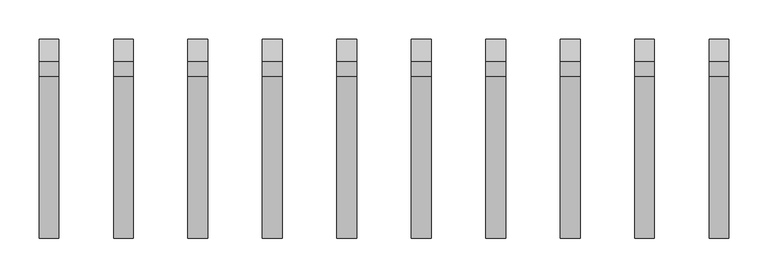
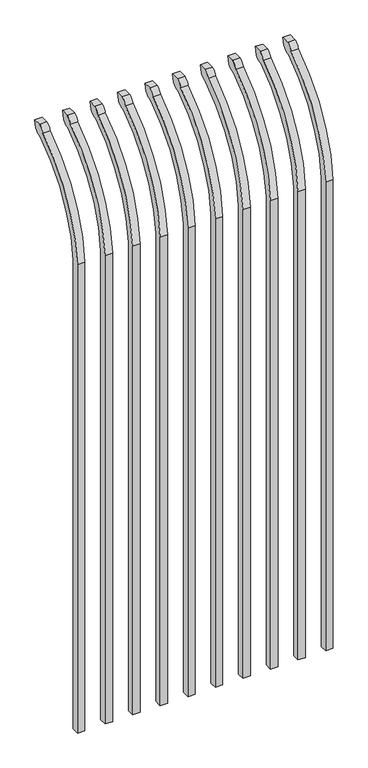
"""IFC4 building model written with IfcOpenShell, lengths in millimetres: railing geometry."""

from ifc_helpers import new_model, si_unit, point, frame, origin, place, context, project, spatial, polyline, circle_curve, ellipse_curve, trimmed, source, transform, mapped, element, save
from ifc_brep_helpers import plane_surface, cylinder_surface, revolved_surface, extruded_surface, advanced_brep


def railing_df1201a7(model_context):
    return source(origin(), model_context, "Body", "AdvancedBrep", [
        advanced_brep(
        [(21556.4350064, 13429.619541, 50.8), (21556.4350064, 13429.619541, 1759.1226889), (21556.4350064, 13626.7326851, 2091.3022378), (21556.4350064, 13653.2407099, 2105.9867549), (21556.4350064, 13659.1100864, 2133.6), (21556.4350064, 13630.8799449, 2133.6), (21556.4350064, 13611.4931591, 2112.6682561), (21556.4350064, 13404.219541, 1759.1226889), (21556.4350064, 13404.219541, 50.8), (21531.0350064, 13429.619541, 50.8), (21531.0350064, 13429.619541, 1759.1226889), (21531.0350064, 13404.219541, 1759.1226889), (21531.0350064, 13404.219541, 50.8), (21531.0350064, 13611.4931591, 2112.6682561), (21531.0350064, 13630.8799449, 2133.6), (21531.0350064, 13659.1100864, 2133.6), (21531.0350064, 13653.2407099, 2105.9867549), (21531.0350064, 13626.7326851, 2091.3022378)],
        [
            (0, 1),
            (1, 2, circle_curve(frame((21556.4350064, 13866.9874207, 1724.1640776), z_axis=(-1.0, 0.0, 0.0), x_axis=(0.0, 1.0, 0.0)), 438.7627681)),
            (2, 3, ellipse_curve(frame((21556.4350064, 13634.5579376, 2113.7180619), z_axis=(1.0, 0.0, 0.0), x_axis=(0.0, -0.7771459614569761, -0.6293203910498311)), 26.7460194, 19.05)),
            (3, 4),
            (4, 5),
            (5, 6, ellipse_curve(frame((21556.4350064, 13634.5579376, 2113.7180619), z_axis=(0.9999999999999999, 0.0, 0.0), x_axis=(0.0, -0.7771459614569769, -0.62932039104983)), 26.7460194, 19.05)),
            (6, 7, circle_curve(frame((21556.4350064, 13866.0333244, 1725.9065933), z_axis=(1.0, 0.0, 0.0), x_axis=(0.0, 1.0, 0.0)), 463.0067812)),
            (7, 8),
            (8, 0),
            (0, 9),
            (9, 10),
            (10, 1),
            (7, 11),
            (11, 12),
            (12, 8),
            (12, 9),
            (11, 13, circle_curve(frame((21531.0350064, 13866.0333244, 1725.9065933), z_axis=(-1.0, 0.0, 0.0), x_axis=(0.0, 1.0, 0.0)), 463.0067812)),
            (13, 14, ellipse_curve(frame((21531.0350064, 13634.5579376, 2113.7180619), z_axis=(-0.9999999999999999, 0.0, 0.0), x_axis=(0.0, -0.7771459614569769, -0.62932039104983)), 26.7460194, 19.05)),
            (14, 15),
            (15, 16),
            (16, 17, ellipse_curve(frame((21531.0350064, 13634.5579376, 2113.7180619), z_axis=(-1.0, 0.0, 0.0), x_axis=(0.0, -0.7771459614569761, -0.6293203910498311)), 26.7460194, 19.05)),
            (17, 10, circle_curve(frame((21531.0350064, 13866.9874207, 1724.1640776), z_axis=(1.0, 0.0, 0.0), x_axis=(0.0, 1.0, 0.0)), 438.7627681)),
            (17, 2),
            (16, 3),
            (15, 4),
            (14, 5),
            (13, 6),
        ],
        [
            plane_surface(frame((21556.4350064, 13429.619541, 50.8), z_axis=(1.0, 0.0, 0.0), x_axis=(0.0, 0.0, 1.0))),
            plane_surface(frame((21556.4350064, 13429.619541, 50.8), z_axis=(0.0, 1.0, 0.0), x_axis=(-1.0, 0.0, 0.0))),
            plane_surface(frame((21556.4350064, 13404.219541, 1759.1226889), z_axis=(0.0, -1.0, 0.0), x_axis=(-1.0, 0.0, 0.0))),
            plane_surface(frame((21556.4350064, 13404.219541, 50.8), z_axis=(0.0, 0.0, -1.0), x_axis=(-1.0, 0.0, 0.0))),
            plane_surface(frame((21531.0350064, 13429.619541, 50.8), z_axis=(-1.0, 0.0, 0.0), x_axis=(0.0, 0.0, -1.0))),
            revolved_surface(polyline([(21531.0350064, 14305.750188799999, 1724.1640776), (21556.4350064, 14305.750188799999, 1724.1640776)]), (21531.0350064, 13866.9874207, 1724.1640776), (-1.0, 0.0, 0.0)),
            extruded_surface(trimmed(ellipse_curve(frame((21505.6350064, 13634.5579376, 2113.7180619), z_axis=(1.0, 0.0, 0.0), x_axis=(0.0, -0.7771459614569761, -0.6293203910498311)), 26.7460194, 19.05), [point((21505.6350064, 13626.7326851, 2091.3022378))], [point((21505.6350064, 13653.2407099, 2105.9867549))], True, "CARTESIAN"), (25.400000000001455, 0.0, 0.0), 25.400000000001455),
            plane_surface(frame((21556.4350064, 13653.2407099, 2105.9867549), z_axis=(0.0, 0.9781476007338014, -0.20791169081777983), x_axis=(-1.0, 0.0, 0.0))),
            plane_surface(frame((21556.4350064, 13659.1100864, 2133.6), z_axis=(0.0, 0.0, 1.0), x_axis=(-1.0, 0.0, 0.0))),
            extruded_surface(trimmed(ellipse_curve(frame((21505.6350064, 13634.5579376, 2113.7180619), z_axis=(0.9999999999999999, 0.0, 0.0), x_axis=(0.0, -0.7771459614569769, -0.62932039104983)), 26.7460194, 19.05), [point((21505.6350064, 13630.8799449, 2133.6))], [point((21505.6350064, 13611.4931591, 2112.6682561))], True, "CARTESIAN"), (25.400000000001455, 0.0, 0.0), 25.400000000001455),
            cylinder_surface(frame((21531.0350064, 13866.0333244, 1725.9065933), z_axis=(1.0, 0.0, 0.0), x_axis=(0.0, 1.0, 0.0)), 463.0067812),
        ],
        [
            (0, [[1, 2, 3, 4, 5, 6, 7, 8, 9]]),
            (1, [[-1, 10, 11, 12]]),
            (2, [[-8, 13, 14, 15]]),
            (3, [[-9, -15, 16, -10]]),
            (4, [[-16, -14, 17, 18, 19, 20, 21, 22, -11]]),
            (5, [[-2, -12, -22, 23]]),
            (6, [[-3, -23, -21, 24]]),
            (7, [[-4, -24, -20, 25]]),
            (8, [[-5, -25, -19, 26]]),
            (9, [[-6, -26, -18, 27]]),
            (10, [[-7, -27, -17, -13]]),
        ],
    ),
        advanced_brep(
        [(21461.1850064, 13429.619541, 50.8), (21461.1850064, 13429.619541, 1759.1226889), (21461.1850064, 13626.7326851, 2091.3022378), (21461.1850064, 13653.2407099, 2105.9867549), (21461.1850064, 13659.1100864, 2133.6), (21461.1850064, 13630.8799449, 2133.6), (21461.1850064, 13611.4931591, 2112.6682561), (21461.1850064, 13404.219541, 1759.1226889), (21461.1850064, 13404.219541, 50.8), (21435.7850064, 13429.619541, 50.8), (21435.7850064, 13429.619541, 1759.1226889), (21435.7850064, 13404.219541, 1759.1226889), (21435.7850064, 13404.219541, 50.8), (21435.7850064, 13611.4931591, 2112.6682561), (21435.7850064, 13630.8799449, 2133.6), (21435.7850064, 13659.1100864, 2133.6), (21435.7850064, 13653.2407099, 2105.9867549), (21435.7850064, 13626.7326851, 2091.3022378)],
        [
            (0, 1),
            (1, 2, circle_curve(frame((21461.1850064, 13866.9874207, 1724.1640776), z_axis=(-1.0, 0.0, 0.0), x_axis=(0.0, 1.0, 0.0)), 438.7627681)),
            (2, 3, ellipse_curve(frame((21461.1850064, 13634.5579376, 2113.7180619), z_axis=(1.0, 0.0, 0.0), x_axis=(0.0, -0.7771459614569761, -0.6293203910498311)), 26.7460194, 19.05)),
            (3, 4),
            (4, 5),
            (5, 6, ellipse_curve(frame((21461.1850064, 13634.5579376, 2113.7180619), z_axis=(0.9999999999999999, 0.0, 0.0), x_axis=(0.0, -0.7771459614569769, -0.62932039104983)), 26.7460194, 19.05)),
            (6, 7, circle_curve(frame((21461.1850064, 13866.0333244, 1725.9065933), z_axis=(1.0, 0.0, 0.0), x_axis=(0.0, 1.0, 0.0)), 463.0067812)),
            (7, 8),
            (8, 0),
            (0, 9),
            (9, 10),
            (10, 1),
            (7, 11),
            (11, 12),
            (12, 8),
            (12, 9),
            (11, 13, circle_curve(frame((21435.7850064, 13866.0333244, 1725.9065933), z_axis=(-1.0, 0.0, 0.0), x_axis=(0.0, 1.0, 0.0)), 463.0067812)),
            (13, 14, ellipse_curve(frame((21435.7850064, 13634.5579376, 2113.7180619), z_axis=(-0.9999999999999999, 0.0, 0.0), x_axis=(0.0, -0.7771459614569769, -0.62932039104983)), 26.7460194, 19.05)),
            (14, 15),
            (15, 16),
            (16, 17, ellipse_curve(frame((21435.7850064, 13634.5579376, 2113.7180619), z_axis=(-1.0, 0.0, 0.0), x_axis=(0.0, -0.7771459614569761, -0.6293203910498311)), 26.7460194, 19.05)),
            (17, 10, circle_curve(frame((21435.7850064, 13866.9874207, 1724.1640776), z_axis=(1.0, 0.0, 0.0), x_axis=(0.0, 1.0, 0.0)), 438.7627681)),
            (17, 2),
            (16, 3),
            (15, 4),
            (14, 5),
            (13, 6),
        ],
        [
            plane_surface(frame((21461.1850064, 13429.619541, 50.8), z_axis=(1.0, 0.0, 0.0), x_axis=(0.0, 0.0, 1.0))),
            plane_surface(frame((21461.1850064, 13429.619541, 50.8), z_axis=(0.0, 1.0, 0.0), x_axis=(-1.0, 0.0, 0.0))),
            plane_surface(frame((21461.1850064, 13404.219541, 1759.1226889), z_axis=(0.0, -1.0, 0.0), x_axis=(-1.0, 0.0, 0.0))),
            plane_surface(frame((21461.1850064, 13404.219541, 50.8), z_axis=(0.0, 0.0, -1.0), x_axis=(-1.0, 0.0, 0.0))),
            plane_surface(frame((21435.7850064, 13429.619541, 50.8), z_axis=(-1.0, 0.0, 0.0), x_axis=(0.0, 0.0, -1.0))),
            revolved_surface(polyline([(21435.7850064, 14305.750188799999, 1724.1640776), (21461.1850064, 14305.750188799999, 1724.1640776)]), (21435.7850064, 13866.9874207, 1724.1640776), (-1.0, 0.0, 0.0)),
            extruded_surface(trimmed(ellipse_curve(frame((21410.3850064, 13634.5579376, 2113.7180619), z_axis=(1.0, 0.0, 0.0), x_axis=(0.0, -0.7771459614569761, -0.6293203910498311)), 26.7460194, 19.05), [point((21410.3850064, 13626.7326851, 2091.3022378))], [point((21410.3850064, 13653.2407099, 2105.9867549))], True, "CARTESIAN"), (25.400000000001455, 0.0, 0.0), 25.400000000001455),
            plane_surface(frame((21461.1850064, 13653.2407099, 2105.9867549), z_axis=(0.0, 0.9781476007338014, -0.20791169081777983), x_axis=(-1.0, 0.0, 0.0))),
            plane_surface(frame((21461.1850064, 13659.1100864, 2133.6), z_axis=(0.0, 0.0, 1.0), x_axis=(-1.0, 0.0, 0.0))),
            extruded_surface(trimmed(ellipse_curve(frame((21410.3850064, 13634.5579376, 2113.7180619), z_axis=(0.9999999999999999, 0.0, 0.0), x_axis=(0.0, -0.7771459614569769, -0.62932039104983)), 26.7460194, 19.05), [point((21410.3850064, 13630.8799449, 2133.6))], [point((21410.3850064, 13611.4931591, 2112.6682561))], True, "CARTESIAN"), (25.400000000001455, 0.0, 0.0), 25.400000000001455),
            cylinder_surface(frame((21435.7850064, 13866.0333244, 1725.9065933), z_axis=(1.0, 0.0, 0.0), x_axis=(0.0, 1.0, 0.0)), 463.0067812),
        ],
        [
            (0, [[1, 2, 3, 4, 5, 6, 7, 8, 9]]),
            (1, [[-1, 10, 11, 12]]),
            (2, [[-8, 13, 14, 15]]),
            (3, [[-9, -15, 16, -10]]),
            (4, [[-16, -14, 17, 18, 19, 20, 21, 22, -11]]),
            (5, [[-2, -12, -22, 23]]),
            (6, [[-3, -23, -21, 24]]),
            (7, [[-4, -24, -20, 25]]),
            (8, [[-5, -25, -19, 26]]),
            (9, [[-6, -26, -18, 27]]),
            (10, [[-7, -27, -17, -13]]),
        ],
    ),
        advanced_brep(
        [(21365.9350064, 13429.619541, 50.8), (21365.9350064, 13429.619541, 1759.1226889), (21365.9350064, 13626.7326851, 2091.3022378), (21365.9350064, 13653.2407099, 2105.9867549), (21365.9350064, 13659.1100864, 2133.6), (21365.9350064, 13630.8799449, 2133.6), (21365.9350064, 13611.4931591, 2112.6682561), (21365.9350064, 13404.219541, 1759.1226889), (21365.9350064, 13404.219541, 50.8), (21340.5350064, 13429.619541, 50.8), (21340.5350064, 13429.619541, 1759.1226889), (21340.5350064, 13404.219541, 1759.1226889), (21340.5350064, 13404.219541, 50.8), (21340.5350064, 13611.4931591, 2112.6682561), (21340.5350064, 13630.8799449, 2133.6), (21340.5350064, 13659.1100864, 2133.6), (21340.5350064, 13653.2407099, 2105.9867549), (21340.5350064, 13626.7326851, 2091.3022378)],
        [
            (0, 1),
            (1, 2, circle_curve(frame((21365.9350064, 13866.9874207, 1724.1640776), z_axis=(-1.0, 0.0, 0.0), x_axis=(0.0, 1.0, 0.0)), 438.7627681)),
            (2, 3, ellipse_curve(frame((21365.9350064, 13634.5579376, 2113.7180619), z_axis=(1.0, 0.0, 0.0), x_axis=(0.0, -0.7771459614569761, -0.6293203910498311)), 26.7460194, 19.05)),
            (3, 4),
            (4, 5),
            (5, 6, ellipse_curve(frame((21365.9350064, 13634.5579376, 2113.7180619), z_axis=(0.9999999999999999, 0.0, 0.0), x_axis=(0.0, -0.7771459614569769, -0.62932039104983)), 26.7460194, 19.05)),
            (6, 7, circle_curve(frame((21365.9350064, 13866.0333244, 1725.9065933), z_axis=(1.0, 0.0, 0.0), x_axis=(0.0, 1.0, 0.0)), 463.0067812)),
            (7, 8),
            (8, 0),
            (0, 9),
            (9, 10),
            (10, 1),
            (7, 11),
            (11, 12),
            (12, 8),
            (12, 9),
            (11, 13, circle_curve(frame((21340.5350064, 13866.0333244, 1725.9065933), z_axis=(-1.0, 0.0, 0.0), x_axis=(0.0, 1.0, 0.0)), 463.0067812)),
            (13, 14, ellipse_curve(frame((21340.5350064, 13634.5579376, 2113.7180619), z_axis=(-0.9999999999999999, 0.0, 0.0), x_axis=(0.0, -0.7771459614569769, -0.62932039104983)), 26.7460194, 19.05)),
            (14, 15),
            (15, 16),
            (16, 17, ellipse_curve(frame((21340.5350064, 13634.5579376, 2113.7180619), z_axis=(-1.0, 0.0, 0.0), x_axis=(0.0, -0.7771459614569761, -0.6293203910498311)), 26.7460194, 19.05)),
            (17, 10, circle_curve(frame((21340.5350064, 13866.9874207, 1724.1640776), z_axis=(1.0, 0.0, 0.0), x_axis=(0.0, 1.0, 0.0)), 438.7627681)),
            (17, 2),
            (16, 3),
            (15, 4),
            (14, 5),
            (13, 6),
        ],
        [
            plane_surface(frame((21365.9350064, 13429.619541, 50.8), z_axis=(1.0, 0.0, 0.0), x_axis=(0.0, 0.0, 1.0))),
            plane_surface(frame((21365.9350064, 13429.619541, 50.8), z_axis=(0.0, 1.0, 0.0), x_axis=(-1.0, 0.0, 0.0))),
            plane_surface(frame((21365.9350064, 13404.219541, 1759.1226889), z_axis=(0.0, -1.0, 0.0), x_axis=(-1.0, 0.0, 0.0))),
            plane_surface(frame((21365.9350064, 13404.219541, 50.8), z_axis=(0.0, 0.0, -1.0), x_axis=(-1.0, 0.0, 0.0))),
            plane_surface(frame((21340.5350064, 13429.619541, 50.8), z_axis=(-1.0, 0.0, 0.0), x_axis=(0.0, 0.0, -1.0))),
            revolved_surface(polyline([(21340.5350064, 14305.750188799999, 1724.1640776), (21365.9350064, 14305.750188799999, 1724.1640776)]), (21340.5350064, 13866.9874207, 1724.1640776), (-1.0, 0.0, 0.0)),
            extruded_surface(trimmed(ellipse_curve(frame((21315.1350064, 13634.5579376, 2113.7180619), z_axis=(1.0, 0.0, 0.0), x_axis=(0.0, -0.7771459614569761, -0.6293203910498311)), 26.7460194, 19.05), [point((21315.1350064, 13626.7326851, 2091.3022378))], [point((21315.1350064, 13653.2407099, 2105.9867549))], True, "CARTESIAN"), (25.400000000001455, 0.0, 0.0), 25.400000000001455),
            plane_surface(frame((21365.9350064, 13653.2407099, 2105.9867549), z_axis=(0.0, 0.9781476007338014, -0.20791169081777983), x_axis=(-1.0, 0.0, 0.0))),
            plane_surface(frame((21365.9350064, 13659.1100864, 2133.6), z_axis=(0.0, 0.0, 1.0), x_axis=(-1.0, 0.0, 0.0))),
            extruded_surface(trimmed(ellipse_curve(frame((21315.1350064, 13634.5579376, 2113.7180619), z_axis=(0.9999999999999999, 0.0, 0.0), x_axis=(0.0, -0.7771459614569769, -0.62932039104983)), 26.7460194, 19.05), [point((21315.1350064, 13630.8799449, 2133.6))], [point((21315.1350064, 13611.4931591, 2112.6682561))], True, "CARTESIAN"), (25.400000000001455, 0.0, 0.0), 25.400000000001455),
            cylinder_surface(frame((21340.5350064, 13866.0333244, 1725.9065933), z_axis=(1.0, 0.0, 0.0), x_axis=(0.0, 1.0, 0.0)), 463.0067812),
        ],
        [
            (0, [[1, 2, 3, 4, 5, 6, 7, 8, 9]]),
            (1, [[-1, 10, 11, 12]]),
            (2, [[-8, 13, 14, 15]]),
            (3, [[-9, -15, 16, -10]]),
            (4, [[-16, -14, 17, 18, 19, 20, 21, 22, -11]]),
            (5, [[-2, -12, -22, 23]]),
            (6, [[-3, -23, -21, 24]]),
            (7, [[-4, -24, -20, 25]]),
            (8, [[-5, -25, -19, 26]]),
            (9, [[-6, -26, -18, 27]]),
            (10, [[-7, -27, -17, -13]]),
        ],
    ),
        advanced_brep(
        [(21270.6850064, 13429.619541, 50.8), (21270.6850064, 13429.619541, 1759.1226889), (21270.6850064, 13626.7326851, 2091.3022378), (21270.6850064, 13653.2407099, 2105.9867549), (21270.6850064, 13659.1100864, 2133.6), (21270.6850064, 13630.8799449, 2133.6), (21270.6850064, 13611.4931591, 2112.6682561), (21270.6850064, 13404.219541, 1759.1226889), (21270.6850064, 13404.219541, 50.8), (21245.2850064, 13429.619541, 50.8), (21245.2850064, 13429.619541, 1759.1226889), (21245.2850064, 13404.219541, 1759.1226889), (21245.2850064, 13404.219541, 50.8), (21245.2850064, 13611.4931591, 2112.6682561), (21245.2850064, 13630.8799449, 2133.6), (21245.2850064, 13659.1100864, 2133.6), (21245.2850064, 13653.2407099, 2105.9867549), (21245.2850064, 13626.7326851, 2091.3022378)],
        [
            (0, 1),
            (1, 2, circle_curve(frame((21270.6850064, 13866.9874207, 1724.1640776), z_axis=(-1.0, 0.0, 0.0), x_axis=(0.0, 1.0, 0.0)), 438.7627681)),
            (2, 3, ellipse_curve(frame((21270.6850064, 13634.5579376, 2113.7180619), z_axis=(1.0, 0.0, 0.0), x_axis=(0.0, -0.7771459614569761, -0.6293203910498311)), 26.7460194, 19.05)),
            (3, 4),
            (4, 5),
            (5, 6, ellipse_curve(frame((21270.6850064, 13634.5579376, 2113.7180619), z_axis=(0.9999999999999999, 0.0, 0.0), x_axis=(0.0, -0.7771459614569769, -0.62932039104983)), 26.7460194, 19.05)),
            (6, 7, circle_curve(frame((21270.6850064, 13866.0333244, 1725.9065933), z_axis=(1.0, 0.0, 0.0), x_axis=(0.0, 1.0, 0.0)), 463.0067812)),
            (7, 8),
            (8, 0),
            (0, 9),
            (9, 10),
            (10, 1),
            (7, 11),
            (11, 12),
            (12, 8),
            (12, 9),
            (11, 13, circle_curve(frame((21245.2850064, 13866.0333244, 1725.9065933), z_axis=(-1.0, 0.0, 0.0), x_axis=(0.0, 1.0, 0.0)), 463.0067812)),
            (13, 14, ellipse_curve(frame((21245.2850064, 13634.5579376, 2113.7180619), z_axis=(-0.9999999999999999, 0.0, 0.0), x_axis=(0.0, -0.7771459614569769, -0.62932039104983)), 26.7460194, 19.05)),
            (14, 15),
            (15, 16),
            (16, 17, ellipse_curve(frame((21245.2850064, 13634.5579376, 2113.7180619), z_axis=(-1.0, 0.0, 0.0), x_axis=(0.0, -0.7771459614569761, -0.6293203910498311)), 26.7460194, 19.05)),
            (17, 10, circle_curve(frame((21245.2850064, 13866.9874207, 1724.1640776), z_axis=(1.0, 0.0, 0.0), x_axis=(0.0, 1.0, 0.0)), 438.7627681)),
            (17, 2),
            (16, 3),
            (15, 4),
            (14, 5),
            (13, 6),
        ],
        [
            plane_surface(frame((21270.6850064, 13429.619541, 50.8), z_axis=(1.0, 0.0, 0.0), x_axis=(0.0, 0.0, 1.0))),
            plane_surface(frame((21270.6850064, 13429.619541, 50.8), z_axis=(0.0, 1.0, 0.0), x_axis=(-1.0, 0.0, 0.0))),
            plane_surface(frame((21270.6850064, 13404.219541, 1759.1226889), z_axis=(0.0, -1.0, 0.0), x_axis=(-1.0, 0.0, 0.0))),
            plane_surface(frame((21270.6850064, 13404.219541, 50.8), z_axis=(0.0, 0.0, -1.0), x_axis=(-1.0, 0.0, 0.0))),
            plane_surface(frame((21245.2850064, 13429.619541, 50.8), z_axis=(-1.0, 0.0, 0.0), x_axis=(0.0, 0.0, -1.0))),
            revolved_surface(polyline([(21245.2850064, 14305.750188799999, 1724.1640776), (21270.6850064, 14305.750188799999, 1724.1640776)]), (21245.2850064, 13866.9874207, 1724.1640776), (-1.0, 0.0, 0.0)),
            extruded_surface(trimmed(ellipse_curve(frame((21219.8850064, 13634.5579376, 2113.7180619), z_axis=(1.0, 0.0, 0.0), x_axis=(0.0, -0.7771459614569761, -0.6293203910498311)), 26.7460194, 19.05), [point((21219.8850064, 13626.7326851, 2091.3022378))], [point((21219.8850064, 13653.2407099, 2105.9867549))], True, "CARTESIAN"), (25.400000000001455, 0.0, 0.0), 25.400000000001455),
            plane_surface(frame((21270.6850064, 13653.2407099, 2105.9867549), z_axis=(0.0, 0.9781476007338014, -0.20791169081777983), x_axis=(-1.0, 0.0, 0.0))),
            plane_surface(frame((21270.6850064, 13659.1100864, 2133.6), z_axis=(0.0, 0.0, 1.0), x_axis=(-1.0, 0.0, 0.0))),
            extruded_surface(trimmed(ellipse_curve(frame((21219.8850064, 13634.5579376, 2113.7180619), z_axis=(0.9999999999999999, 0.0, 0.0), x_axis=(0.0, -0.7771459614569769, -0.62932039104983)), 26.7460194, 19.05), [point((21219.8850064, 13630.8799449, 2133.6))], [point((21219.8850064, 13611.4931591, 2112.6682561))], True, "CARTESIAN"), (25.400000000001455, 0.0, 0.0), 25.400000000001455),
            cylinder_surface(frame((21245.2850064, 13866.0333244, 1725.9065933), z_axis=(1.0, 0.0, 0.0), x_axis=(0.0, 1.0, 0.0)), 463.0067812),
        ],
        [
            (0, [[1, 2, 3, 4, 5, 6, 7, 8, 9]]),
            (1, [[-1, 10, 11, 12]]),
            (2, [[-8, 13, 14, 15]]),
            (3, [[-9, -15, 16, -10]]),
            (4, [[-16, -14, 17, 18, 19, 20, 21, 22, -11]]),
            (5, [[-2, -12, -22, 23]]),
            (6, [[-3, -23, -21, 24]]),
            (7, [[-4, -24, -20, 25]]),
            (8, [[-5, -25, -19, 26]]),
            (9, [[-6, -26, -18, 27]]),
            (10, [[-7, -27, -17, -13]]),
        ],
    ),
        advanced_brep(
        [(21175.4350064, 13429.619541, 50.8), (21175.4350064, 13429.619541, 1759.1226889), (21175.4350064, 13626.7326851, 2091.3022378), (21175.4350064, 13653.2407099, 2105.9867549), (21175.4350064, 13659.1100864, 2133.6), (21175.4350064, 13630.8799449, 2133.6), (21175.4350064, 13611.4931591, 2112.6682561), (21175.4350064, 13404.219541, 1759.1226889), (21175.4350064, 13404.219541, 50.8), (21150.0350064, 13429.619541, 50.8), (21150.0350064, 13429.619541, 1759.1226889), (21150.0350064, 13404.219541, 1759.1226889), (21150.0350064, 13404.219541, 50.8), (21150.0350064, 13611.4931591, 2112.6682561), (21150.0350064, 13630.8799449, 2133.6), (21150.0350064, 13659.1100864, 2133.6), (21150.0350064, 13653.2407099, 2105.9867549), (21150.0350064, 13626.7326851, 2091.3022378)],
        [
            (0, 1),
            (1, 2, circle_curve(frame((21175.4350064, 13866.9874207, 1724.1640776), z_axis=(-1.0, 0.0, 0.0), x_axis=(0.0, 1.0, 0.0)), 438.7627681)),
            (2, 3, ellipse_curve(frame((21175.4350064, 13634.5579376, 2113.7180619), z_axis=(1.0, 0.0, 0.0), x_axis=(0.0, -0.7771459614569761, -0.6293203910498311)), 26.7460194, 19.05)),
            (3, 4),
            (4, 5),
            (5, 6, ellipse_curve(frame((21175.4350064, 13634.5579376, 2113.7180619), z_axis=(0.9999999999999999, 0.0, 0.0), x_axis=(0.0, -0.7771459614569769, -0.62932039104983)), 26.7460194, 19.05)),
            (6, 7, circle_curve(frame((21175.4350064, 13866.0333244, 1725.9065933), z_axis=(1.0, 0.0, 0.0), x_axis=(0.0, 1.0, 0.0)), 463.0067812)),
            (7, 8),
            (8, 0),
            (0, 9),
            (9, 10),
            (10, 1),
            (7, 11),
            (11, 12),
            (12, 8),
            (12, 9),
            (11, 13, circle_curve(frame((21150.0350064, 13866.0333244, 1725.9065933), z_axis=(-1.0, 0.0, 0.0), x_axis=(0.0, 1.0, 0.0)), 463.0067812)),
            (13, 14, ellipse_curve(frame((21150.0350064, 13634.5579376, 2113.7180619), z_axis=(-0.9999999999999999, 0.0, 0.0), x_axis=(0.0, -0.7771459614569769, -0.62932039104983)), 26.7460194, 19.05)),
            (14, 15),
            (15, 16),
            (16, 17, ellipse_curve(frame((21150.0350064, 13634.5579376, 2113.7180619), z_axis=(-1.0, 0.0, 0.0), x_axis=(0.0, -0.7771459614569761, -0.6293203910498311)), 26.7460194, 19.05)),
            (17, 10, circle_curve(frame((21150.0350064, 13866.9874207, 1724.1640776), z_axis=(1.0, 0.0, 0.0), x_axis=(0.0, 1.0, 0.0)), 438.7627681)),
            (17, 2),
            (16, 3),
            (15, 4),
            (14, 5),
            (13, 6),
        ],
        [
            plane_surface(frame((21175.4350064, 13429.619541, 50.8), z_axis=(1.0, 0.0, 0.0), x_axis=(0.0, 0.0, 1.0))),
            plane_surface(frame((21175.4350064, 13429.619541, 50.8), z_axis=(0.0, 1.0, 0.0), x_axis=(-1.0, 0.0, 0.0))),
            plane_surface(frame((21175.4350064, 13404.219541, 1759.1226889), z_axis=(0.0, -1.0, 0.0), x_axis=(-1.0, 0.0, 0.0))),
            plane_surface(frame((21175.4350064, 13404.219541, 50.8), z_axis=(0.0, 0.0, -1.0), x_axis=(-1.0, 0.0, 0.0))),
            plane_surface(frame((21150.0350064, 13429.619541, 50.8), z_axis=(-1.0, 0.0, 0.0), x_axis=(0.0, 0.0, -1.0))),
            revolved_surface(polyline([(21150.0350064, 14305.750188799999, 1724.1640776), (21175.4350064, 14305.750188799999, 1724.1640776)]), (21150.0350064, 13866.9874207, 1724.1640776), (-1.0, 0.0, 0.0)),
            extruded_surface(trimmed(ellipse_curve(frame((21124.6350064, 13634.5579376, 2113.7180619), z_axis=(1.0, 0.0, 0.0), x_axis=(0.0, -0.7771459614569761, -0.6293203910498311)), 26.7460194, 19.05), [point((21124.6350064, 13626.7326851, 2091.3022378))], [point((21124.6350064, 13653.2407099, 2105.9867549))], True, "CARTESIAN"), (25.400000000001455, 0.0, 0.0), 25.400000000001455),
            plane_surface(frame((21175.4350064, 13653.2407099, 2105.9867549), z_axis=(0.0, 0.9781476007338014, -0.20791169081777983), x_axis=(-1.0, 0.0, 0.0))),
            plane_surface(frame((21175.4350064, 13659.1100864, 2133.6), z_axis=(0.0, 0.0, 1.0), x_axis=(-1.0, 0.0, 0.0))),
            extruded_surface(trimmed(ellipse_curve(frame((21124.6350064, 13634.5579376, 2113.7180619), z_axis=(0.9999999999999999, 0.0, 0.0), x_axis=(0.0, -0.7771459614569769, -0.62932039104983)), 26.7460194, 19.05), [point((21124.6350064, 13630.8799449, 2133.6))], [point((21124.6350064, 13611.4931591, 2112.6682561))], True, "CARTESIAN"), (25.400000000001455, 0.0, 0.0), 25.400000000001455),
            cylinder_surface(frame((21150.0350064, 13866.0333244, 1725.9065933), z_axis=(1.0, 0.0, 0.0), x_axis=(0.0, 1.0, 0.0)), 463.0067812),
        ],
        [
            (0, [[1, 2, 3, 4, 5, 6, 7, 8, 9]]),
            (1, [[-1, 10, 11, 12]]),
            (2, [[-8, 13, 14, 15]]),
            (3, [[-9, -15, 16, -10]]),
            (4, [[-16, -14, 17, 18, 19, 20, 21, 22, -11]]),
            (5, [[-2, -12, -22, 23]]),
            (6, [[-3, -23, -21, 24]]),
            (7, [[-4, -24, -20, 25]]),
            (8, [[-5, -25, -19, 26]]),
            (9, [[-6, -26, -18, 27]]),
            (10, [[-7, -27, -17, -13]]),
        ],
    ),
        advanced_brep(
        [(21080.1850064, 13429.619541, 50.8), (21080.1850064, 13429.619541, 1759.1226889), (21080.1850064, 13626.7326851, 2091.3022378), (21080.1850064, 13653.2407099, 2105.9867549), (21080.1850064, 13659.1100864, 2133.6), (21080.1850064, 13630.8799449, 2133.6), (21080.1850064, 13611.4931591, 2112.6682561), (21080.1850064, 13404.219541, 1759.1226889), (21080.1850064, 13404.219541, 50.8), (21054.7850064, 13429.619541, 50.8), (21054.7850064, 13429.619541, 1759.1226889), (21054.7850064, 13404.219541, 1759.1226889), (21054.7850064, 13404.219541, 50.8), (21054.7850064, 13611.4931591, 2112.6682561), (21054.7850064, 13630.8799449, 2133.6), (21054.7850064, 13659.1100864, 2133.6), (21054.7850064, 13653.2407099, 2105.9867549), (21054.7850064, 13626.7326851, 2091.3022378)],
        [
            (0, 1),
            (1, 2, circle_curve(frame((21080.1850064, 13866.9874207, 1724.1640776), z_axis=(-1.0, 0.0, 0.0), x_axis=(0.0, 1.0, 0.0)), 438.7627681)),
            (2, 3, ellipse_curve(frame((21080.1850064, 13634.5579376, 2113.7180619), z_axis=(1.0, 0.0, 0.0), x_axis=(0.0, -0.7771459614569761, -0.6293203910498311)), 26.7460194, 19.05)),
            (3, 4),
            (4, 5),
            (5, 6, ellipse_curve(frame((21080.1850064, 13634.5579376, 2113.7180619), z_axis=(0.9999999999999999, 0.0, 0.0), x_axis=(0.0, -0.7771459614569769, -0.62932039104983)), 26.7460194, 19.05)),
            (6, 7, circle_curve(frame((21080.1850064, 13866.0333244, 1725.9065933), z_axis=(1.0, 0.0, 0.0), x_axis=(0.0, 1.0, 0.0)), 463.0067812)),
            (7, 8),
            (8, 0),
            (0, 9),
            (9, 10),
            (10, 1),
            (7, 11),
            (11, 12),
            (12, 8),
            (12, 9),
            (11, 13, circle_curve(frame((21054.7850064, 13866.0333244, 1725.9065933), z_axis=(-1.0, 0.0, 0.0), x_axis=(0.0, 1.0, 0.0)), 463.0067812)),
            (13, 14, ellipse_curve(frame((21054.7850064, 13634.5579376, 2113.7180619), z_axis=(-0.9999999999999999, 0.0, 0.0), x_axis=(0.0, -0.7771459614569769, -0.62932039104983)), 26.7460194, 19.05)),
            (14, 15),
            (15, 16),
            (16, 17, ellipse_curve(frame((21054.7850064, 13634.5579376, 2113.7180619), z_axis=(-1.0, 0.0, 0.0), x_axis=(0.0, -0.7771459614569761, -0.6293203910498311)), 26.7460194, 19.05)),
            (17, 10, circle_curve(frame((21054.7850064, 13866.9874207, 1724.1640776), z_axis=(1.0, 0.0, 0.0), x_axis=(0.0, 1.0, 0.0)), 438.7627681)),
            (17, 2),
            (16, 3),
            (15, 4),
            (14, 5),
            (13, 6),
        ],
        [
            plane_surface(frame((21080.1850064, 13429.619541, 50.8), z_axis=(1.0, 0.0, 0.0), x_axis=(0.0, 0.0, 1.0))),
            plane_surface(frame((21080.1850064, 13429.619541, 50.8), z_axis=(0.0, 1.0, 0.0), x_axis=(-1.0, 0.0, 0.0))),
            plane_surface(frame((21080.1850064, 13404.219541, 1759.1226889), z_axis=(0.0, -1.0, 0.0), x_axis=(-1.0, 0.0, 0.0))),
            plane_surface(frame((21080.1850064, 13404.219541, 50.8), z_axis=(0.0, 0.0, -1.0), x_axis=(-1.0, 0.0, 0.0))),
            plane_surface(frame((21054.7850064, 13429.619541, 50.8), z_axis=(-1.0, 0.0, 0.0), x_axis=(0.0, 0.0, -1.0))),
            revolved_surface(polyline([(21054.7850064, 14305.750188799999, 1724.1640776), (21080.1850064, 14305.750188799999, 1724.1640776)]), (21054.7850064, 13866.9874207, 1724.1640776), (-1.0, 0.0, 0.0)),
            extruded_surface(trimmed(ellipse_curve(frame((21029.3850064, 13634.5579376, 2113.7180619), z_axis=(1.0, 0.0, 0.0), x_axis=(0.0, -0.7771459614569761, -0.6293203910498311)), 26.7460194, 19.05), [point((21029.3850064, 13626.7326851, 2091.3022378))], [point((21029.3850064, 13653.2407099, 2105.9867549))], True, "CARTESIAN"), (25.400000000001455, 0.0, 0.0), 25.400000000001455),
            plane_surface(frame((21080.1850064, 13653.2407099, 2105.9867549), z_axis=(0.0, 0.9781476007338014, -0.20791169081777983), x_axis=(-1.0, 0.0, 0.0))),
            plane_surface(frame((21080.1850064, 13659.1100864, 2133.6), z_axis=(0.0, 0.0, 1.0), x_axis=(-1.0, 0.0, 0.0))),
            extruded_surface(trimmed(ellipse_curve(frame((21029.3850064, 13634.5579376, 2113.7180619), z_axis=(0.9999999999999999, 0.0, 0.0), x_axis=(0.0, -0.7771459614569769, -0.62932039104983)), 26.7460194, 19.05), [point((21029.3850064, 13630.8799449, 2133.6))], [point((21029.3850064, 13611.4931591, 2112.6682561))], True, "CARTESIAN"), (25.400000000001455, 0.0, 0.0), 25.400000000001455),
            cylinder_surface(frame((21054.7850064, 13866.0333244, 1725.9065933), z_axis=(1.0, 0.0, 0.0), x_axis=(0.0, 1.0, 0.0)), 463.0067812),
        ],
        [
            (0, [[1, 2, 3, 4, 5, 6, 7, 8, 9]]),
            (1, [[-1, 10, 11, 12]]),
            (2, [[-8, 13, 14, 15]]),
            (3, [[-9, -15, 16, -10]]),
            (4, [[-16, -14, 17, 18, 19, 20, 21, 22, -11]]),
            (5, [[-2, -12, -22, 23]]),
            (6, [[-3, -23, -21, 24]]),
            (7, [[-4, -24, -20, 25]]),
            (8, [[-5, -25, -19, 26]]),
            (9, [[-6, -26, -18, 27]]),
            (10, [[-7, -27, -17, -13]]),
        ],
    ),
        advanced_brep(
        [(20984.9350064, 13429.619541, 50.8), (20984.9350064, 13429.619541, 1759.1226889), (20984.9350064, 13626.7326851, 2091.3022378), (20984.9350064, 13653.2407099, 2105.9867549), (20984.9350064, 13659.1100864, 2133.6), (20984.9350064, 13630.8799449, 2133.6), (20984.9350064, 13611.4931591, 2112.6682561), (20984.9350064, 13404.219541, 1759.1226889), (20984.9350064, 13404.219541, 50.8), (20959.5350064, 13429.619541, 50.8), (20959.5350064, 13429.619541, 1759.1226889), (20959.5350064, 13404.219541, 1759.1226889), (20959.5350064, 13404.219541, 50.8), (20959.5350064, 13611.4931591, 2112.6682561), (20959.5350064, 13630.8799449, 2133.6), (20959.5350064, 13659.1100864, 2133.6), (20959.5350064, 13653.2407099, 2105.9867549), (20959.5350064, 13626.7326851, 2091.3022378)],
        [
            (0, 1),
            (1, 2, circle_curve(frame((20984.9350064, 13866.9874207, 1724.1640776), z_axis=(-1.0, 0.0, 0.0), x_axis=(0.0, 1.0, 0.0)), 438.7627681)),
            (2, 3, ellipse_curve(frame((20984.9350064, 13634.5579376, 2113.7180619), z_axis=(1.0, 0.0, 0.0), x_axis=(0.0, -0.7771459614569761, -0.6293203910498311)), 26.7460194, 19.05)),
            (3, 4),
            (4, 5),
            (5, 6, ellipse_curve(frame((20984.9350064, 13634.5579376, 2113.7180619), z_axis=(0.9999999999999999, 0.0, 0.0), x_axis=(0.0, -0.7771459614569769, -0.62932039104983)), 26.7460194, 19.05)),
            (6, 7, circle_curve(frame((20984.9350064, 13866.0333244, 1725.9065933), z_axis=(1.0, 0.0, 0.0), x_axis=(0.0, 1.0, 0.0)), 463.0067812)),
            (7, 8),
            (8, 0),
            (0, 9),
            (9, 10),
            (10, 1),
            (7, 11),
            (11, 12),
            (12, 8),
            (12, 9),
            (11, 13, circle_curve(frame((20959.5350064, 13866.0333244, 1725.9065933), z_axis=(-1.0, 0.0, 0.0), x_axis=(0.0, 1.0, 0.0)), 463.0067812)),
            (13, 14, ellipse_curve(frame((20959.5350064, 13634.5579376, 2113.7180619), z_axis=(-0.9999999999999999, 0.0, 0.0), x_axis=(0.0, -0.7771459614569769, -0.62932039104983)), 26.7460194, 19.05)),
            (14, 15),
            (15, 16),
            (16, 17, ellipse_curve(frame((20959.5350064, 13634.5579376, 2113.7180619), z_axis=(-1.0, 0.0, 0.0), x_axis=(0.0, -0.7771459614569761, -0.6293203910498311)), 26.7460194, 19.05)),
            (17, 10, circle_curve(frame((20959.5350064, 13866.9874207, 1724.1640776), z_axis=(1.0, 0.0, 0.0), x_axis=(0.0, 1.0, 0.0)), 438.7627681)),
            (17, 2),
            (16, 3),
            (15, 4),
            (14, 5),
            (13, 6),
        ],
        [
            plane_surface(frame((20984.9350064, 13429.619541, 50.8), z_axis=(1.0, 0.0, 0.0), x_axis=(0.0, 0.0, 1.0))),
            plane_surface(frame((20984.9350064, 13429.619541, 50.8), z_axis=(0.0, 1.0, 0.0), x_axis=(-1.0, 0.0, 0.0))),
            plane_surface(frame((20984.9350064, 13404.219541, 1759.1226889), z_axis=(0.0, -1.0, 0.0), x_axis=(-1.0, 0.0, 0.0))),
            plane_surface(frame((20984.9350064, 13404.219541, 50.8), z_axis=(0.0, 0.0, -1.0), x_axis=(-1.0, 0.0, 0.0))),
            plane_surface(frame((20959.5350064, 13429.619541, 50.8), z_axis=(-1.0, 0.0, 0.0), x_axis=(0.0, 0.0, -1.0))),
            revolved_surface(polyline([(20959.5350064, 14305.750188799999, 1724.1640776), (20984.9350064, 14305.750188799999, 1724.1640776)]), (20959.5350064, 13866.9874207, 1724.1640776), (-1.0, 0.0, 0.0)),
            extruded_surface(trimmed(ellipse_curve(frame((20934.1350064, 13634.5579376, 2113.7180619), z_axis=(1.0, 0.0, 0.0), x_axis=(0.0, -0.7771459614569761, -0.6293203910498311)), 26.7460194, 19.05), [point((20934.1350064, 13626.7326851, 2091.3022378))], [point((20934.1350064, 13653.2407099, 2105.9867549))], True, "CARTESIAN"), (25.400000000001455, 0.0, 0.0), 25.400000000001455),
            plane_surface(frame((20984.9350064, 13653.2407099, 2105.9867549), z_axis=(0.0, 0.9781476007338014, -0.20791169081777983), x_axis=(-1.0, 0.0, 0.0))),
            plane_surface(frame((20984.9350064, 13659.1100864, 2133.6), z_axis=(0.0, 0.0, 1.0), x_axis=(-1.0, 0.0, 0.0))),
            extruded_surface(trimmed(ellipse_curve(frame((20934.1350064, 13634.5579376, 2113.7180619), z_axis=(0.9999999999999999, 0.0, 0.0), x_axis=(0.0, -0.7771459614569769, -0.62932039104983)), 26.7460194, 19.05), [point((20934.1350064, 13630.8799449, 2133.6))], [point((20934.1350064, 13611.4931591, 2112.6682561))], True, "CARTESIAN"), (25.400000000001455, 0.0, 0.0), 25.400000000001455),
            cylinder_surface(frame((20959.5350064, 13866.0333244, 1725.9065933), z_axis=(1.0, 0.0, 0.0), x_axis=(0.0, 1.0, 0.0)), 463.0067812),
        ],
        [
            (0, [[1, 2, 3, 4, 5, 6, 7, 8, 9]]),
            (1, [[-1, 10, 11, 12]]),
            (2, [[-8, 13, 14, 15]]),
            (3, [[-9, -15, 16, -10]]),
            (4, [[-16, -14, 17, 18, 19, 20, 21, 22, -11]]),
            (5, [[-2, -12, -22, 23]]),
            (6, [[-3, -23, -21, 24]]),
            (7, [[-4, -24, -20, 25]]),
            (8, [[-5, -25, -19, 26]]),
            (9, [[-6, -26, -18, 27]]),
            (10, [[-7, -27, -17, -13]]),
        ],
    ),
        advanced_brep(
        [(20889.6850064, 13429.619541, 50.8), (20889.6850064, 13429.619541, 1759.1226889), (20889.6850064, 13626.7326851, 2091.3022378), (20889.6850064, 13653.2407099, 2105.9867549), (20889.6850064, 13659.1100864, 2133.6), (20889.6850064, 13630.8799449, 2133.6), (20889.6850064, 13611.4931591, 2112.6682561), (20889.6850064, 13404.219541, 1759.1226889), (20889.6850064, 13404.219541, 50.8), (20864.2850064, 13429.619541, 50.8), (20864.2850064, 13429.619541, 1759.1226889), (20864.2850064, 13404.219541, 1759.1226889), (20864.2850064, 13404.219541, 50.8), (20864.2850064, 13611.4931591, 2112.6682561), (20864.2850064, 13630.8799449, 2133.6), (20864.2850064, 13659.1100864, 2133.6), (20864.2850064, 13653.2407099, 2105.9867549), (20864.2850064, 13626.7326851, 2091.3022378)],
        [
            (0, 1),
            (1, 2, circle_curve(frame((20889.6850064, 13866.9874207, 1724.1640776), z_axis=(-1.0, 0.0, 0.0), x_axis=(0.0, 1.0, 0.0)), 438.7627681)),
            (2, 3, ellipse_curve(frame((20889.6850064, 13634.5579376, 2113.7180619), z_axis=(1.0, 0.0, 0.0), x_axis=(0.0, -0.7771459614569761, -0.6293203910498311)), 26.7460194, 19.05)),
            (3, 4),
            (4, 5),
            (5, 6, ellipse_curve(frame((20889.6850064, 13634.5579376, 2113.7180619), z_axis=(0.9999999999999999, 0.0, 0.0), x_axis=(0.0, -0.7771459614569769, -0.62932039104983)), 26.7460194, 19.05)),
            (6, 7, circle_curve(frame((20889.6850064, 13866.0333244, 1725.9065933), z_axis=(1.0, 0.0, 0.0), x_axis=(0.0, 1.0, 0.0)), 463.0067812)),
            (7, 8),
            (8, 0),
            (0, 9),
            (9, 10),
            (10, 1),
            (7, 11),
            (11, 12),
            (12, 8),
            (12, 9),
            (11, 13, circle_curve(frame((20864.2850064, 13866.0333244, 1725.9065933), z_axis=(-1.0, 0.0, 0.0), x_axis=(0.0, 1.0, 0.0)), 463.0067812)),
            (13, 14, ellipse_curve(frame((20864.2850064, 13634.5579376, 2113.7180619), z_axis=(-0.9999999999999999, 0.0, 0.0), x_axis=(0.0, -0.7771459614569769, -0.62932039104983)), 26.7460194, 19.05)),
            (14, 15),
            (15, 16),
            (16, 17, ellipse_curve(frame((20864.2850064, 13634.5579376, 2113.7180619), z_axis=(-1.0, 0.0, 0.0), x_axis=(0.0, -0.7771459614569761, -0.6293203910498311)), 26.7460194, 19.05)),
            (17, 10, circle_curve(frame((20864.2850064, 13866.9874207, 1724.1640776), z_axis=(1.0, 0.0, 0.0), x_axis=(0.0, 1.0, 0.0)), 438.7627681)),
            (17, 2),
            (16, 3),
            (15, 4),
            (14, 5),
            (13, 6),
        ],
        [
            plane_surface(frame((20889.6850064, 13429.619541, 50.8), z_axis=(1.0, 0.0, 0.0), x_axis=(0.0, 0.0, 1.0))),
            plane_surface(frame((20889.6850064, 13429.619541, 50.8), z_axis=(0.0, 1.0, 0.0), x_axis=(-1.0, 0.0, 0.0))),
            plane_surface(frame((20889.6850064, 13404.219541, 1759.1226889), z_axis=(0.0, -1.0, 0.0), x_axis=(-1.0, 0.0, 0.0))),
            plane_surface(frame((20889.6850064, 13404.219541, 50.8), z_axis=(0.0, 0.0, -1.0), x_axis=(-1.0, 0.0, 0.0))),
            plane_surface(frame((20864.2850064, 13429.619541, 50.8), z_axis=(-1.0, 0.0, 0.0), x_axis=(0.0, 0.0, -1.0))),
            revolved_surface(polyline([(20864.2850064, 14305.750188799999, 1724.1640776), (20889.6850064, 14305.750188799999, 1724.1640776)]), (20864.2850064, 13866.9874207, 1724.1640776), (-1.0, 0.0, 0.0)),
            extruded_surface(trimmed(ellipse_curve(frame((20838.8850064, 13634.5579376, 2113.7180619), z_axis=(1.0, 0.0, 0.0), x_axis=(0.0, -0.7771459614569761, -0.6293203910498311)), 26.7460194, 19.05), [point((20838.8850064, 13626.7326851, 2091.3022378))], [point((20838.8850064, 13653.2407099, 2105.9867549))], True, "CARTESIAN"), (25.400000000001455, 0.0, 0.0), 25.400000000001455),
            plane_surface(frame((20889.6850064, 13653.2407099, 2105.9867549), z_axis=(0.0, 0.9781476007338014, -0.20791169081777983), x_axis=(-1.0, 0.0, 0.0))),
            plane_surface(frame((20889.6850064, 13659.1100864, 2133.6), z_axis=(0.0, 0.0, 1.0), x_axis=(-1.0, 0.0, 0.0))),
            extruded_surface(trimmed(ellipse_curve(frame((20838.8850064, 13634.5579376, 2113.7180619), z_axis=(0.9999999999999999, 0.0, 0.0), x_axis=(0.0, -0.7771459614569769, -0.62932039104983)), 26.7460194, 19.05), [point((20838.8850064, 13630.8799449, 2133.6))], [point((20838.8850064, 13611.4931591, 2112.6682561))], True, "CARTESIAN"), (25.400000000001455, 0.0, 0.0), 25.400000000001455),
            cylinder_surface(frame((20864.2850064, 13866.0333244, 1725.9065933), z_axis=(1.0, 0.0, 0.0), x_axis=(0.0, 1.0, 0.0)), 463.0067812),
        ],
        [
            (0, [[1, 2, 3, 4, 5, 6, 7, 8, 9]]),
            (1, [[-1, 10, 11, 12]]),
            (2, [[-8, 13, 14, 15]]),
            (3, [[-9, -15, 16, -10]]),
            (4, [[-16, -14, 17, 18, 19, 20, 21, 22, -11]]),
            (5, [[-2, -12, -22, 23]]),
            (6, [[-3, -23, -21, 24]]),
            (7, [[-4, -24, -20, 25]]),
            (8, [[-5, -25, -19, 26]]),
            (9, [[-6, -26, -18, 27]]),
            (10, [[-7, -27, -17, -13]]),
        ],
    ),
        advanced_brep(
        [(20794.4350064, 13429.619541, 50.8), (20794.4350064, 13429.619541, 1759.1226889), (20794.4350064, 13626.7326851, 2091.3022378), (20794.4350064, 13653.2407099, 2105.9867549), (20794.4350064, 13659.1100864, 2133.6), (20794.4350064, 13630.8799449, 2133.6), (20794.4350064, 13611.4931591, 2112.6682561), (20794.4350064, 13404.219541, 1759.1226889), (20794.4350064, 13404.219541, 50.8), (20769.0350064, 13429.619541, 50.8), (20769.0350064, 13429.619541, 1759.1226889), (20769.0350064, 13404.219541, 1759.1226889), (20769.0350064, 13404.219541, 50.8), (20769.0350064, 13611.4931591, 2112.6682561), (20769.0350064, 13630.8799449, 2133.6), (20769.0350064, 13659.1100864, 2133.6), (20769.0350064, 13653.2407099, 2105.9867549), (20769.0350064, 13626.7326851, 2091.3022378)],
        [
            (0, 1),
            (1, 2, circle_curve(frame((20794.4350064, 13866.9874207, 1724.1640776), z_axis=(-1.0, 0.0, 0.0), x_axis=(0.0, 1.0, 0.0)), 438.7627681)),
            (2, 3, ellipse_curve(frame((20794.4350064, 13634.5579376, 2113.7180619), z_axis=(1.0, 0.0, 0.0), x_axis=(0.0, -0.7771459614569761, -0.6293203910498311)), 26.7460194, 19.05)),
            (3, 4),
            (4, 5),
            (5, 6, ellipse_curve(frame((20794.4350064, 13634.5579376, 2113.7180619), z_axis=(0.9999999999999999, 0.0, 0.0), x_axis=(0.0, -0.7771459614569769, -0.62932039104983)), 26.7460194, 19.05)),
            (6, 7, circle_curve(frame((20794.4350064, 13866.0333244, 1725.9065933), z_axis=(1.0, 0.0, 0.0), x_axis=(0.0, 1.0, 0.0)), 463.0067812)),
            (7, 8),
            (8, 0),
            (0, 9),
            (9, 10),
            (10, 1),
            (7, 11),
            (11, 12),
            (12, 8),
            (12, 9),
            (11, 13, circle_curve(frame((20769.0350064, 13866.0333244, 1725.9065933), z_axis=(-1.0, 0.0, 0.0), x_axis=(0.0, 1.0, 0.0)), 463.0067812)),
            (13, 14, ellipse_curve(frame((20769.0350064, 13634.5579376, 2113.7180619), z_axis=(-0.9999999999999999, 0.0, 0.0), x_axis=(0.0, -0.7771459614569769, -0.62932039104983)), 26.7460194, 19.05)),
            (14, 15),
            (15, 16),
            (16, 17, ellipse_curve(frame((20769.0350064, 13634.5579376, 2113.7180619), z_axis=(-1.0, 0.0, 0.0), x_axis=(0.0, -0.7771459614569761, -0.6293203910498311)), 26.7460194, 19.05)),
            (17, 10, circle_curve(frame((20769.0350064, 13866.9874207, 1724.1640776), z_axis=(1.0, 0.0, 0.0), x_axis=(0.0, 1.0, 0.0)), 438.7627681)),
            (17, 2),
            (16, 3),
            (15, 4),
            (14, 5),
            (13, 6),
        ],
        [
            plane_surface(frame((20794.4350064, 13429.619541, 50.8), z_axis=(1.0, 0.0, 0.0), x_axis=(0.0, 0.0, 1.0))),
            plane_surface(frame((20794.4350064, 13429.619541, 50.8), z_axis=(0.0, 1.0, 0.0), x_axis=(-1.0, 0.0, 0.0))),
            plane_surface(frame((20794.4350064, 13404.219541, 1759.1226889), z_axis=(0.0, -1.0, 0.0), x_axis=(-1.0, 0.0, 0.0))),
            plane_surface(frame((20794.4350064, 13404.219541, 50.8), z_axis=(0.0, 0.0, -1.0), x_axis=(-1.0, 0.0, 0.0))),
            plane_surface(frame((20769.0350064, 13429.619541, 50.8), z_axis=(-1.0, 0.0, 0.0), x_axis=(0.0, 0.0, -1.0))),
            revolved_surface(polyline([(20769.0350064, 14305.750188799999, 1724.1640776), (20794.4350064, 14305.750188799999, 1724.1640776)]), (20769.0350064, 13866.9874207, 1724.1640776), (-1.0, 0.0, 0.0)),
            extruded_surface(trimmed(ellipse_curve(frame((20743.6350064, 13634.5579376, 2113.7180619), z_axis=(1.0, 0.0, 0.0), x_axis=(0.0, -0.7771459614569761, -0.6293203910498311)), 26.7460194, 19.05), [point((20743.6350064, 13626.7326851, 2091.3022378))], [point((20743.6350064, 13653.2407099, 2105.9867549))], True, "CARTESIAN"), (25.400000000001455, 0.0, 0.0), 25.400000000001455),
            plane_surface(frame((20794.4350064, 13653.2407099, 2105.9867549), z_axis=(0.0, 0.9781476007338014, -0.20791169081777983), x_axis=(-1.0, 0.0, 0.0))),
            plane_surface(frame((20794.4350064, 13659.1100864, 2133.6), z_axis=(0.0, 0.0, 1.0), x_axis=(-1.0, 0.0, 0.0))),
            extruded_surface(trimmed(ellipse_curve(frame((20743.6350064, 13634.5579376, 2113.7180619), z_axis=(0.9999999999999999, 0.0, 0.0), x_axis=(0.0, -0.7771459614569769, -0.62932039104983)), 26.7460194, 19.05), [point((20743.6350064, 13630.8799449, 2133.6))], [point((20743.6350064, 13611.4931591, 2112.6682561))], True, "CARTESIAN"), (25.400000000001455, 0.0, 0.0), 25.400000000001455),
            cylinder_surface(frame((20769.0350064, 13866.0333244, 1725.9065933), z_axis=(1.0, 0.0, 0.0), x_axis=(0.0, 1.0, 0.0)), 463.0067812),
        ],
        [
            (0, [[1, 2, 3, 4, 5, 6, 7, 8, 9]]),
            (1, [[-1, 10, 11, 12]]),
            (2, [[-8, 13, 14, 15]]),
            (3, [[-9, -15, 16, -10]]),
            (4, [[-16, -14, 17, 18, 19, 20, 21, 22, -11]]),
            (5, [[-2, -12, -22, 23]]),
            (6, [[-3, -23, -21, 24]]),
            (7, [[-4, -24, -20, 25]]),
            (8, [[-5, -25, -19, 26]]),
            (9, [[-6, -26, -18, 27]]),
            (10, [[-7, -27, -17, -13]]),
        ],
    ),
        advanced_brep(
        [(20699.1850064, 13429.619541, 50.8), (20699.1850064, 13429.619541, 1759.1226889), (20699.1850064, 13626.7326851, 2091.3022378), (20699.1850064, 13653.2407099, 2105.9867549), (20699.1850064, 13659.1100864, 2133.6), (20699.1850064, 13630.8799449, 2133.6), (20699.1850064, 13611.4931591, 2112.6682561), (20699.1850064, 13404.219541, 1759.1226889), (20699.1850064, 13404.219541, 50.8), (20673.7850064, 13429.619541, 50.8), (20673.7850064, 13429.619541, 1759.1226889), (20673.7850064, 13404.219541, 1759.1226889), (20673.7850064, 13404.219541, 50.8), (20673.7850064, 13611.4931591, 2112.6682561), (20673.7850064, 13630.8799449, 2133.6), (20673.7850064, 13659.1100864, 2133.6), (20673.7850064, 13653.2407099, 2105.9867549), (20673.7850064, 13626.7326851, 2091.3022378)],
        [
            (0, 1),
            (1, 2, circle_curve(frame((20699.1850064, 13866.9874207, 1724.1640776), z_axis=(-1.0, 0.0, 0.0), x_axis=(0.0, 1.0, 0.0)), 438.7627681)),
            (2, 3, ellipse_curve(frame((20699.1850064, 13634.5579376, 2113.7180619), z_axis=(1.0, 0.0, 0.0), x_axis=(0.0, -0.7771459614569761, -0.6293203910498311)), 26.7460194, 19.05)),
            (3, 4),
            (4, 5),
            (5, 6, ellipse_curve(frame((20699.1850064, 13634.5579376, 2113.7180619), z_axis=(0.9999999999999999, 0.0, 0.0), x_axis=(0.0, -0.7771459614569769, -0.62932039104983)), 26.7460194, 19.05)),
            (6, 7, circle_curve(frame((20699.1850064, 13866.0333244, 1725.9065933), z_axis=(1.0, 0.0, 0.0), x_axis=(0.0, 1.0, 0.0)), 463.0067812)),
            (7, 8),
            (8, 0),
            (0, 9),
            (9, 10),
            (10, 1),
            (7, 11),
            (11, 12),
            (12, 8),
            (12, 9),
            (11, 13, circle_curve(frame((20673.7850064, 13866.0333244, 1725.9065933), z_axis=(-1.0, 0.0, 0.0), x_axis=(0.0, 1.0, 0.0)), 463.0067812)),
            (13, 14, ellipse_curve(frame((20673.7850064, 13634.5579376, 2113.7180619), z_axis=(-0.9999999999999999, 0.0, 0.0), x_axis=(0.0, -0.7771459614569769, -0.62932039104983)), 26.7460194, 19.05)),
            (14, 15),
            (15, 16),
            (16, 17, ellipse_curve(frame((20673.7850064, 13634.5579376, 2113.7180619), z_axis=(-1.0, 0.0, 0.0), x_axis=(0.0, -0.7771459614569761, -0.6293203910498311)), 26.7460194, 19.05)),
            (17, 10, circle_curve(frame((20673.7850064, 13866.9874207, 1724.1640776), z_axis=(1.0, 0.0, 0.0), x_axis=(0.0, 1.0, 0.0)), 438.7627681)),
            (17, 2),
            (16, 3),
            (15, 4),
            (14, 5),
            (13, 6),
        ],
        [
            plane_surface(frame((20699.1850064, 13429.619541, 50.8), z_axis=(1.0, 0.0, 0.0), x_axis=(0.0, 0.0, 1.0))),
            plane_surface(frame((20699.1850064, 13429.619541, 50.8), z_axis=(0.0, 1.0, 0.0), x_axis=(-1.0, 0.0, 0.0))),
            plane_surface(frame((20699.1850064, 13404.219541, 1759.1226889), z_axis=(0.0, -1.0, 0.0), x_axis=(-1.0, 0.0, 0.0))),
            plane_surface(frame((20699.1850064, 13404.219541, 50.8), z_axis=(0.0, 0.0, -1.0), x_axis=(-1.0, 0.0, 0.0))),
            plane_surface(frame((20673.7850064, 13429.619541, 50.8), z_axis=(-1.0, 0.0, 0.0), x_axis=(0.0, 0.0, -1.0))),
            revolved_surface(polyline([(20673.7850064, 14305.750188799999, 1724.1640776), (20699.1850064, 14305.750188799999, 1724.1640776)]), (20673.7850064, 13866.9874207, 1724.1640776), (-1.0, 0.0, 0.0)),
            extruded_surface(trimmed(ellipse_curve(frame((20648.3850064, 13634.5579376, 2113.7180619), z_axis=(1.0, 0.0, 0.0), x_axis=(0.0, -0.7771459614569761, -0.6293203910498311)), 26.7460194, 19.05), [point((20648.3850064, 13626.7326851, 2091.3022378))], [point((20648.3850064, 13653.2407099, 2105.9867549))], True, "CARTESIAN"), (25.400000000001455, 0.0, 0.0), 25.400000000001455),
            plane_surface(frame((20699.1850064, 13653.2407099, 2105.9867549), z_axis=(0.0, 0.9781476007338014, -0.20791169081777983), x_axis=(-1.0, 0.0, 0.0))),
            plane_surface(frame((20699.1850064, 13659.1100864, 2133.6), z_axis=(0.0, 0.0, 1.0), x_axis=(-1.0, 0.0, 0.0))),
            extruded_surface(trimmed(ellipse_curve(frame((20648.3850064, 13634.5579376, 2113.7180619), z_axis=(0.9999999999999999, 0.0, 0.0), x_axis=(0.0, -0.7771459614569769, -0.62932039104983)), 26.7460194, 19.05), [point((20648.3850064, 13630.8799449, 2133.6))], [point((20648.3850064, 13611.4931591, 2112.6682561))], True, "CARTESIAN"), (25.400000000001455, 0.0, 0.0), 25.400000000001455),
            cylinder_surface(frame((20673.7850064, 13866.0333244, 1725.9065933), z_axis=(1.0, 0.0, 0.0), x_axis=(0.0, 1.0, 0.0)), 463.0067812),
        ],
        [
            (0, [[1, 2, 3, 4, 5, 6, 7, 8, 9]]),
            (1, [[-1, 10, 11, 12]]),
            (2, [[-8, 13, 14, 15]]),
            (3, [[-9, -15, 16, -10]]),
            (4, [[-16, -14, 17, 18, 19, 20, 21, 22, -11]]),
            (5, [[-2, -12, -22, 23]]),
            (6, [[-3, -23, -21, 24]]),
            (7, [[-4, -24, -20, 25]]),
            (8, [[-5, -25, -19, 26]]),
            (9, [[-6, -26, -18, 27]]),
            (10, [[-7, -27, -17, -13]]),
        ],
    ),
    ])


if __name__ == "__main__":
    model = new_model("IFC4")
    model_context = context("Model", 3, world=origin())
    ifc_project = project(units=[si_unit("LENGTHUNIT", "METRE", prefix="MILLI")], contexts=[model_context])
    site = spatial("IfcSite", under=ifc_project)
    building = spatial("IfcBuilding", under=site)
    placement = place(None, origin())
    railing_shape = railing_df1201a7(model_context)
    element("IfcRailing", 1, at=placement, inside=building, context=model_context, shape_type="MappedRepresentation", body=[
        mapped(railing_shape, transform((0.0, 0.0, 0.0), x_axis=(1.0, 0.0, 0.0), y_axis=(0.0, 1.0, 0.0), z_axis=(0.0, 0.0, 1.0))),
    ])
    save(model, "model.ifc")
